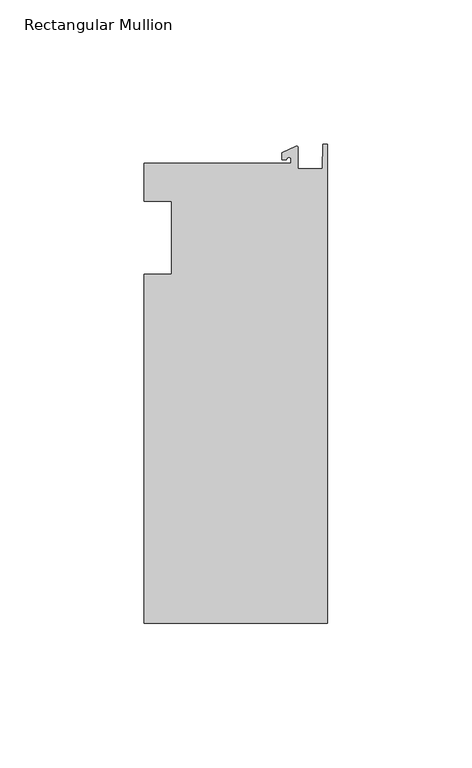
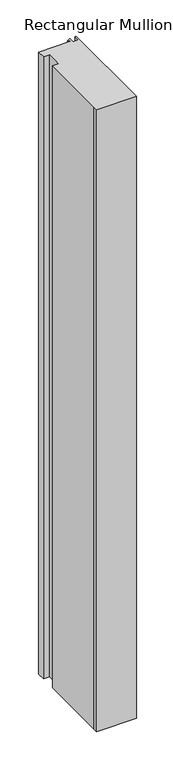
"""IFC4 building model written with IfcOpenShell, lengths in millimetres: member geometry, Rectangular Mullion."""

from ifc_helpers import new_model, si_unit, point, frame, frame_2d, origin, place, context, project, spatial, polyline, circle_curve, trimmed, segment, composite_curve, outline, extrude, source, transform, mapped, element, save


def rectangular_mullion_b705e333(model_context):
    return source(origin(), model_context, "Body", "SweptSolid", [
        extrude(outline(composite_curve([segment(polyline([(-12.6173814, 25.796875), (-12.6173814, 27.0827507)]), True, "CONTINUOUS"), segment(trimmed(circle_curve(frame_2d((-13.4111314, 27.0827507)), 0.79375), [point((-12.6173814, 27.0827507))], [point((-14.2048814, 27.0827507))], True, "CARTESIAN"), True, "CONTINUOUS"), segment(polyline([(-14.2048814, 27.0827507), (-15.7923814, 27.0827507), (-15.7923814, 29.44495), (-10.9524715, 31.7018371)]), True, "CONTINUOUS"), segment(trimmed(circle_curve(frame_2d((-10.7377814, 31.2414327)), 0.508), [point((-10.9524715, 31.7018371))], [point((-10.2297814, 31.2414327))], False, "CARTESIAN"), True, "CONTINUOUS"), segment(polyline([(-10.2297814, 31.2414327), (-10.2297814, 23.9227662), (-1.7144124, 23.9227662), (-1.5658966, 32.288874), (0.0, 32.288874), (0.0, -133.34365), (-63.5, -133.34365), (-63.5, -125.8114907), (-63.5, -12.7), (-53.975, -12.7), (-53.975, 12.7), (-63.5, 12.7), (-63.5, 25.796875), (-12.6173814, 25.796875)]), True, "CONTINUOUS")], self_intersect=False)), frame((0.0, 0.0, -1042.56492), z_axis=(0.0, 0.0, 1.0), x_axis=(1.0, 0.0, 0.0)), (0.0, 0.0, 1.0), 1042.56492),
    ])


if __name__ == "__main__":
    model = new_model("IFC4")
    model_context = context("Model", 3, world=origin())
    ifc_project = project(units=[si_unit("LENGTHUNIT", "METRE", prefix="MILLI")], contexts=[model_context])
    site = spatial("IfcSite", under=ifc_project)
    building = spatial("IfcBuilding", under=site)
    placement = place(None, origin())
    rectangular_mullion_shape = rectangular_mullion_b705e333(model_context)
    element("IfcMember", 1, ObjectType="Rectangular Mullion", at=placement, inside=building, context=model_context, shape_type="MappedRepresentation", body=[
        mapped(rectangular_mullion_shape, transform((0.0, 0.0, 0.0), x_axis=(1.0, 0.0, 0.0), y_axis=(0.0, 1.0, 0.0), z_axis=(0.0, 0.0, 1.0))),
    ])
    save(model, "model.ifc")
